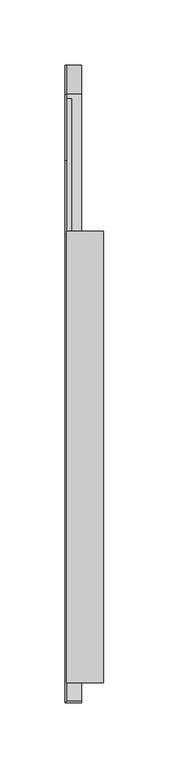
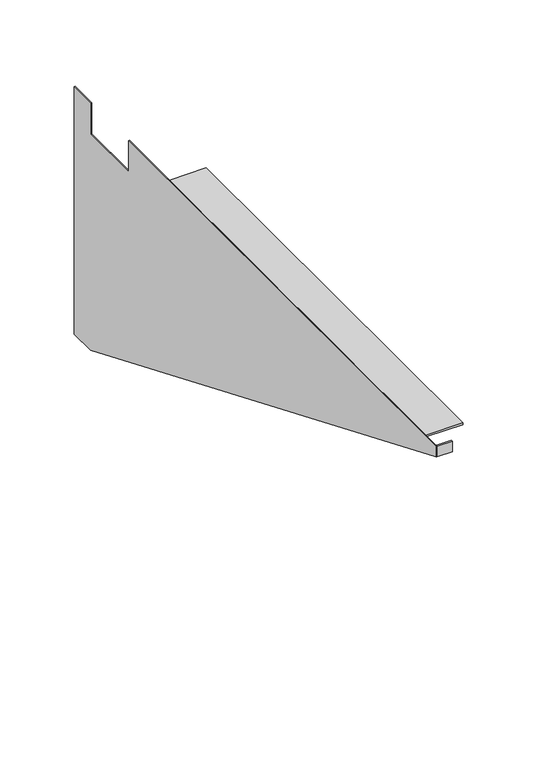
"""IFC4 building model written with IfcOpenShell, lengths in millimetres: furniture geometry."""

from ifc_helpers import new_model, si_unit, frame, origin, place, context, project, spatial, polyline, outline, extrude, source, transform, mapped, element, save


def furniture_52b77808(model_context):
    return source(origin(), model_context, "Body", "SweptSolid", [
        extrude(outline(polyline([(-14.2240001, 142.9801747), (-221.0978053, 229.5156221), (-193.0308048, 229.5156221), (-14.2240001, 155.1721721), (-14.2240001, 142.9801747)])), frame((2.5019, 0.0, 0.0), z_axis=(1.0, 0.0, 0.0), x_axis=(0.0, 1.0, 0.0)), (0.0, 0.0, 1.0), 3.9243),
        extrude(outline(polyline([(-282.9367633, 229.0233375), (-14.2240001, 117.0721721), (-14.2240001, 104.8801656), (-311.0037638, 229.0233375), (-282.9367633, 229.0233375)])), frame((2.5019, 0.0, 0.0), z_axis=(1.0, 0.0, 0.0), x_axis=(0.0, 1.0, 0.0)), (0.0, 0.0, 1.0), 3.9243),
        extrude(outline(polyline([(-14.2240001, 78.9721721), (-14.2240001, 66.7801656), (-403.2634303, 229.5156221), (-375.1964298, 229.5156221), (-14.2240001, 78.9721721)])), frame((2.5019, 0.0, 0.0), z_axis=(1.0, 0.0, 0.0), x_axis=(0.0, 1.0, 0.0)), (0.0, 0.0, 1.0), 3.9243),
        extrude(outline(polyline([(-10.835097, 42.0278719), (11.1759996, 42.0278719), (11.1759996, 41.1134719), (-11.0186387, 41.1134719), (-476.2500004, 235.7200537), (-476.2500004, 244.3134719), (-475.3356004, 244.3134719), (-475.3356004, 236.3287352), (-10.835097, 42.0278719)])), frame((2.5019, 0.0, 0.0), z_axis=(1.0, 0.0, 0.0), x_axis=(0.0, 1.0, 0.0)), (0.0, 0.0, 1.0), 11.7983),
        extrude(outline(polyline([(2.5146, -461.2640004), (2.5146, -115.8239997), (31.0388, -115.8239997), (31.0388, -461.2640004), (2.5146, -461.2640004)])), frame((0.0, 0.0, 242.7894719), z_axis=(0.0, 0.0, 1.0), x_axis=(1.0, 0.0, 0.0)), (0.0, 0.0, 1.0), 1.524),
        extrude(outline(polyline([(-11.0489997, 244.3134719), (11.1759996, 244.3134719), (11.1759996, 41.1134719), (-11.0186387, 41.1134719), (-476.2500004, 235.7200537), (-476.2500004, 244.3134719), (-61.8489997, 244.3134719), (-61.8489997, 218.9134719), (-11.0489997, 218.9134719), (-11.0489997, 244.3134719)])), frame((1.6002, 0.0, 0.0), z_axis=(1.0, 0.0, 0.0), x_axis=(0.0, 1.0, 0.0)), (0.0, 0.0, 1.0), 0.9144),
    ])


if __name__ == "__main__":
    model = new_model("IFC4")
    model_context = context("Model", 3, world=origin())
    ifc_project = project(units=[si_unit("LENGTHUNIT", "METRE", prefix="MILLI")], contexts=[model_context])
    site = spatial("IfcSite", under=ifc_project)
    building = spatial("IfcBuilding", under=site)
    placement = place(None, origin())
    furniture_shape = furniture_52b77808(model_context)
    element("IfcFurniture", 1, at=placement, inside=building, context=model_context, shape_type="MappedRepresentation", body=[
        mapped(furniture_shape, transform((0.0, 0.0, 0.0), x_axis=(1.0, 0.0, 0.0), y_axis=(0.0, 1.0, 0.0), z_axis=(0.0, 0.0, 1.0))),
    ])
    save(model, "model.ifc")
